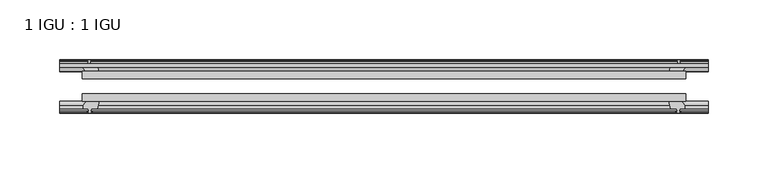
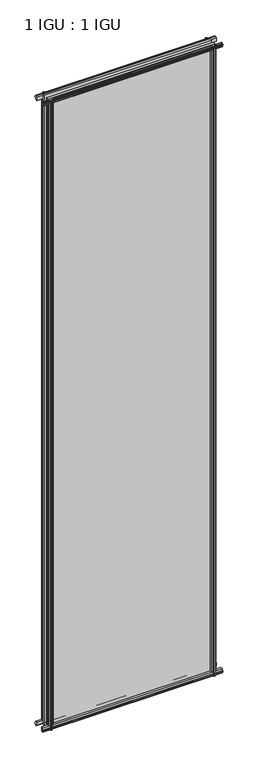
"""IFC4 building model written with IfcOpenShell, lengths in millimetres: plate geometry, 1 IGU : 1 IGU."""

from ifc_helpers import new_model, si_unit, frame, origin, place, context, project, spatial, polyline, outline, extrude, source, transform, mapped, element, save


def plate_1_igu_1_igu_74583e17(model_context):
    return source(origin(), model_context, "Body", "SweptSolid", [
        extrude(outline(polyline([(-253.5349802, -38.6468937), (253.5349802, -38.6468937), (253.5349802, -44.9460938), (-253.5349802, -44.9460938), (-253.5349802, -38.6468937)])), frame((0.0, 0.0, -12.7), z_axis=(0.0, 0.0, 1.0), x_axis=(1.0, 0.0, 0.0)), (0.0, 0.0, 1.0), 2019.2999999),
        extrude(outline(polyline([(-253.5349802, -19.5460937), (253.5349802, -19.5460937), (253.5349802, -25.8960938), (-253.5349802, -25.8960938), (-253.5349802, -19.5460937)])), frame((0.0, 0.0, -12.7), z_axis=(0.0, 0.0, 1.0), x_axis=(1.0, 0.0, 0.0)), (0.0, 0.0, 1.0), 2019.2999999),
        extrude(outline(polyline([(-44.9460937, 1.7177181), (-44.9460937, -9.1036578), (-48.3496937, -11.938), (-51.2960937, -11.938), (-51.2960937, -7.493), (-53.6762907, -7.112), (-53.2163575, -8.5275291), (-54.0175717, -8.5275291), (-54.7250937, -6.35), (-54.0175717, -4.1724709), (-53.2163575, -4.1724709), (-53.6762907, -5.588), (-51.2960937, -5.207), (-51.2960937, 0.0), (-44.9460937, 1.7177181)])), frame((-272.5849802, 0.0, 0.0), z_axis=(1.0, 0.0, 0.0), x_axis=(0.0, 1.0, 0.0)), (0.0, 0.0, 1.0), 545.1699604),
        extrude(outline(polyline([(-13.1960937, -12.4587), (-16.1424937, -12.4587), (-19.5460937, -9.6243578), (-19.5460937, 1.1970181), (-13.1960937, -0.5207), (-13.1960937, -5.7277), (-10.8158968, -6.1087), (-11.27583, -4.6931709), (-10.4746158, -4.6931709), (-9.7670937, -6.8707), (-10.4746158, -9.0482291), (-11.27583, -9.0482291), (-10.8158968, -7.6327), (-13.1960937, -8.0137), (-13.1960937, -12.4587)])), frame((-272.5849802, 0.0, 0.0), z_axis=(1.0, 0.0, 0.0), x_axis=(0.0, 1.0, 0.0)), (0.0, 0.0, 1.0), 545.1699604),
        extrude(outline(polyline([(-51.2960937, 2005.8379999), (-48.3496937, 2005.8379999), (-44.9460937, 2003.0036577), (-44.9460937, 1992.1822818), (-51.2960937, 1993.8999999), (-51.2960937, 1999.1069999), (-53.6762907, 1999.4879999), (-53.2163575, 1998.0724708), (-54.0175717, 1998.0724708), (-54.7250937, 2000.2499999), (-54.0175717, 2002.4275289), (-53.2163575, 2002.4275289), (-53.6762907, 2001.0119999), (-51.2960937, 2001.3929999), (-51.2960937, 2005.8379999)])), frame((-272.5849802, 0.0, 0.0), z_axis=(1.0, 0.0, 0.0), x_axis=(0.0, 1.0, 0.0)), (0.0, 0.0, 1.0), 545.1699604),
        extrude(outline(polyline([(-19.5460937, 1992.7029818), (-19.5460937, 2003.5243577), (-16.1424937, 2006.3586999), (-13.1960937, 2006.3586999), (-13.1960937, 2001.9136999), (-10.8158968, 2001.5326999), (-11.27583, 2002.9482289), (-10.4746158, 2002.9482289), (-9.7670937, 2000.7706999), (-10.4746158, 1998.5931708), (-11.27583, 1998.5931708), (-10.8158968, 2000.0086999), (-13.1960937, 1999.6276999), (-13.1960937, 1994.4206999), (-19.5460937, 1992.7029818)])), frame((-272.5849802, 0.0, 0.0), z_axis=(1.0, 0.0, 0.0), x_axis=(0.0, 1.0, 0.0)), (0.0, 0.0, 1.0), 545.1699604),
        extrude(outline(polyline([(239.6379621, -19.5460938), (241.3556802, -13.1960938), (246.5626802, -13.1960938), (246.9436802, -10.8158968), (245.5281511, -11.27583), (245.5281511, -10.4746158), (247.7056802, -9.7670938), (249.8832092, -10.4746158), (249.8832092, -11.27583), (248.4676802, -10.8158968), (248.8486802, -13.1960938), (253.2936802, -13.1960938), (253.2936802, -16.1424938), (250.459338, -19.5460938), (239.6379621, -19.5460938)])), frame((0.0, 0.0, -12.7), z_axis=(0.0, 0.0, 1.0), x_axis=(1.0, 0.0, 0.0)), (0.0, 0.0, 1.0), 2019.3),
        extrude(outline(polyline([(239.1172621, -44.9460938), (249.938638, -44.9460938), (252.7729802, -48.3496938), (252.7729802, -51.2960938), (248.3279802, -51.2960938), (247.9469802, -53.6762907), (249.3625092, -53.2163575), (249.3625092, -54.0175717), (247.1849802, -54.7250938), (245.0074511, -54.0175717), (245.0074511, -53.2163575), (246.4229802, -53.6762907), (246.0419802, -51.2960938), (240.8349802, -51.2960938), (239.1172621, -44.9460938)])), frame((0.0, 0.0, -12.7), z_axis=(0.0, 0.0, 1.0), x_axis=(1.0, 0.0, 0.0)), (0.0, 0.0, 1.0), 2019.3),
        extrude(outline(polyline([(-247.7056802, -9.7670937), (-245.5281511, -10.4746158), (-245.5281511, -11.27583), (-246.9436802, -10.8158968), (-246.5626802, -13.1960937), (-241.3556802, -13.1960937), (-239.6379621, -19.5460937), (-250.459338, -19.5460937), (-253.2936802, -16.1424937), (-253.2936802, -13.1960937), (-248.8486802, -13.1960937), (-248.4676802, -10.8158968), (-249.8832092, -11.27583), (-249.8832092, -10.4746158), (-247.7056802, -9.7670937)])), frame((0.0, 0.0, -12.7), z_axis=(0.0, 0.0, 1.0), x_axis=(1.0, 0.0, 0.0)), (0.0, 0.0, 1.0), 2019.3),
        extrude(outline(polyline([(-252.7729802, -48.3496937), (-249.938638, -44.9460937), (-239.1172621, -44.9460937), (-240.8349802, -51.2960937), (-246.0419802, -51.2960937), (-246.4229802, -53.6762907), (-245.0074511, -53.2163575), (-245.0074511, -54.0175717), (-247.1849802, -54.7250937), (-249.3625092, -54.0175717), (-249.3625092, -53.2163575), (-247.9469802, -53.6762907), (-248.3279802, -51.2960937), (-252.7729802, -51.2960937), (-252.7729802, -48.3496937)])), frame((0.0, 0.0, -12.7), z_axis=(0.0, 0.0, 1.0), x_axis=(1.0, 0.0, 0.0)), (0.0, 0.0, 1.0), 2019.3),
    ])


if __name__ == "__main__":
    model = new_model("IFC4")
    model_context = context("Model", 3, world=origin())
    ifc_project = project(units=[si_unit("LENGTHUNIT", "METRE", prefix="MILLI")], contexts=[model_context])
    site = spatial("IfcSite", under=ifc_project)
    building = spatial("IfcBuilding", under=site)
    placement = place(None, origin())
    plate_1_igu_1_igu_shape = plate_1_igu_1_igu_74583e17(model_context)
    element("IfcPlate", 1, ObjectType="1 IGU : 1 IGU", at=placement, inside=building, context=model_context, shape_type="MappedRepresentation", body=[
        mapped(plate_1_igu_1_igu_shape, transform((0.0, 0.0, 0.0), x_axis=(1.0, 0.0, 0.0), y_axis=(0.0, 1.0, 0.0), z_axis=(0.0, 0.0, 1.0))),
    ])
    save(model, "model.ifc")
